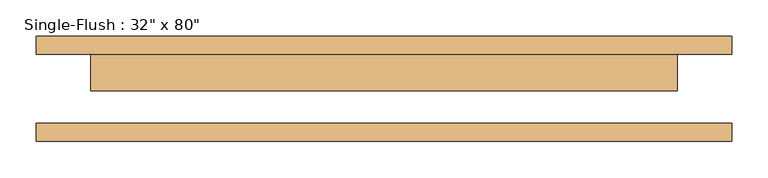
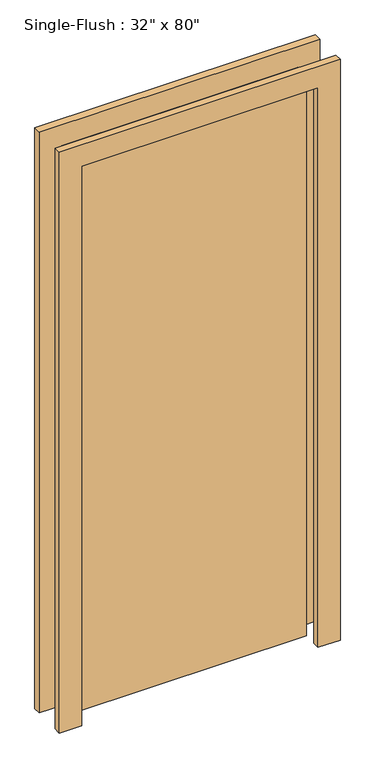
"""IFC4 building model written with IfcOpenShell, lengths in millimetres: door geometry."""

from ifc_helpers import new_model, si_unit, frame, origin, origin_with_axes, place, context, project, spatial, polyline, outline, extrude, source, transform, mapped, element, save


def door_a74dcce1(model_context):
    return source(origin(), model_context, "Body", "SweptSolid", [
        extrude(outline(polyline([(2108.2, -482.6), (0.0, -482.6), (0.0, -406.4), (2032.0, -406.4), (2032.0, 406.4), (0.0, 406.4), (0.0, 482.6), (2108.2, 482.6), (2108.2, -482.6)])), frame((0.0, 47.625, 0.0), z_axis=(0.0, 1.0, 0.0), x_axis=(0.0, 0.0, 1.0)), (0.0, 0.0, 1.0), 25.4),
        extrude(outline(polyline([(2108.2, 482.6), (2108.2, -482.6), (0.0, -482.6), (0.0, -406.4), (2032.0, -406.4), (2032.0, 406.4), (0.0, 406.4), (0.0, 482.6), (2108.2, 482.6)])), frame((0.0, -73.025, 0.0), z_axis=(0.0, 1.0, 0.0), x_axis=(0.0, 0.0, 1.0)), (0.0, 0.0, 1.0), 25.4),
        extrude(outline(polyline([(406.4, -3.175), (-406.4, -3.175), (-406.4, 47.625), (406.4, 47.625), (406.4, -3.175)])), origin_with_axes(), (0.0, 0.0, 1.0), 2032.0),
    ])


if __name__ == "__main__":
    model = new_model("IFC4")
    model_context = context("Model", 3, world=origin())
    ifc_project = project(units=[si_unit("LENGTHUNIT", "METRE", prefix="MILLI")], contexts=[model_context])
    site = spatial("IfcSite", under=ifc_project)
    building = spatial("IfcBuilding", under=site)
    placement = place(None, origin())
    door_shape = door_a74dcce1(model_context)
    element("IfcDoor", 1, ObjectType="Single-Flush : 32\" x 80\"", at=placement, inside=building, context=model_context, shape_type="MappedRepresentation", body=[
        mapped(door_shape, transform((0.0, 0.0, 0.0), x_axis=(1.0, 0.0, 0.0), y_axis=(0.0, 1.0, 0.0), z_axis=(0.0, 0.0, 1.0))),
    ])
    save(model, "model.ifc")
